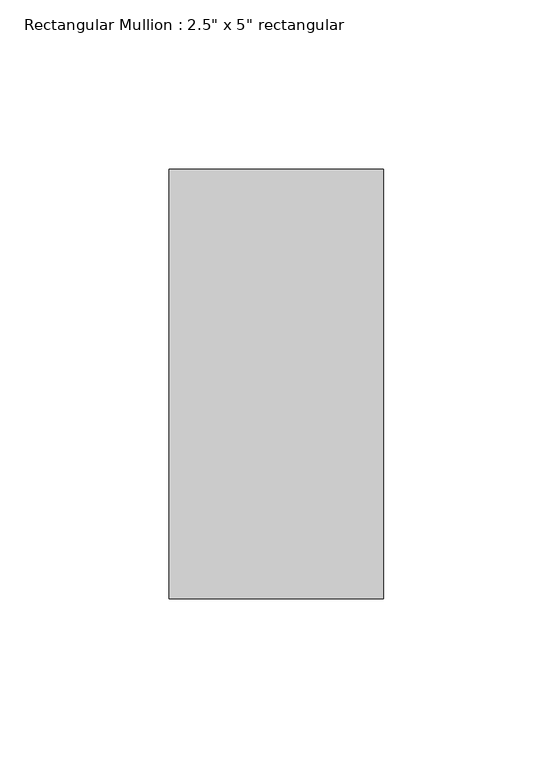
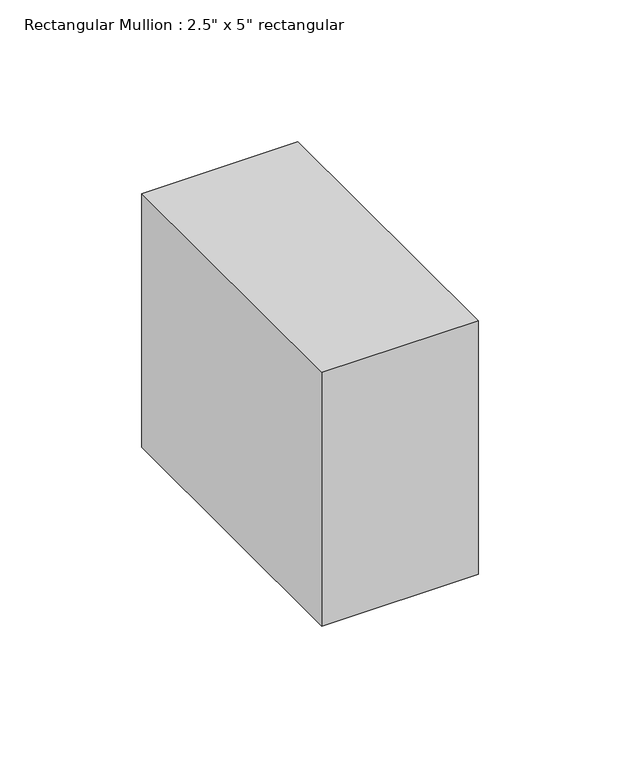
"""IFC4 building model written with IfcOpenShell, lengths in millimetres: member geometry."""

from ifc_helpers import new_model, si_unit, frame, origin, place, context, project, spatial, polyline, outline, extrude, source, transform, mapped, element, save


def member_f5c79ada(model_context):
    return source(origin(), model_context, "Body", "SweptSolid", [
        extrude(outline(polyline([(31.75, 63.5), (31.75, -63.5), (-31.75, -63.5), (-31.75, 63.5), (31.75, 63.5)])), frame((0.0, 0.0, -109.1545155), z_axis=(0.0, 0.0, 1.0), x_axis=(1.0, 0.0, 0.0)), (0.0, 0.0, 1.0), 109.1545155),
    ])


if __name__ == "__main__":
    model = new_model("IFC4")
    model_context = context("Model", 3, world=origin())
    ifc_project = project(units=[si_unit("LENGTHUNIT", "METRE", prefix="MILLI")], contexts=[model_context])
    site = spatial("IfcSite", under=ifc_project)
    building = spatial("IfcBuilding", under=site)
    placement = place(None, origin())
    member_shape = member_f5c79ada(model_context)
    element("IfcMember", 1, ObjectType="Rectangular Mullion : 2.5\" x 5\" rectangular", at=placement, inside=building, context=model_context, shape_type="MappedRepresentation", body=[
        mapped(member_shape, transform((0.0, 0.0, 0.0), x_axis=(1.0, 0.0, 0.0), y_axis=(0.0, 1.0, 0.0), z_axis=(0.0, 0.0, 1.0))),
    ])
    save(model, "model.ifc")
